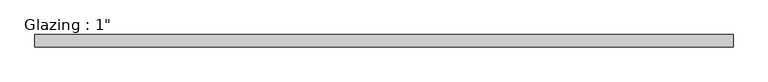
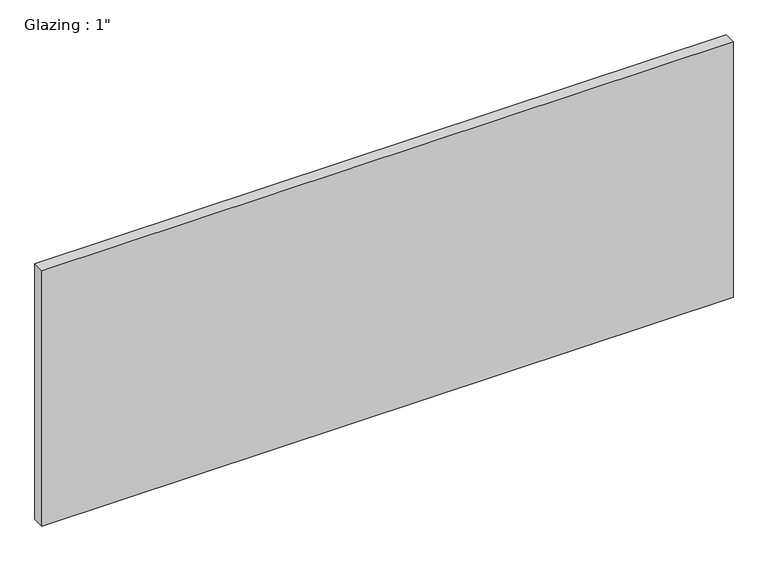
"""IFC4 building model written with IfcOpenShell, lengths in millimetres: plate geometry."""

from ifc_helpers import new_model, si_unit, origin, origin_with_axes, place, context, project, spatial, polyline, outline, extrude, source, transform, mapped, element, save


def plate_5623ed29(model_context):
    return source(origin(), model_context, "Body", "SweptSolid", [
        extrude(outline(polyline([(717.0507144, -12.7), (-717.0507144, -12.7), (-717.0507144, 12.7), (717.0507144, 12.7), (717.0507144, -12.7)])), origin_with_axes(), (0.0, 0.0, 1.0), 560.0039722),
    ])


if __name__ == "__main__":
    model = new_model("IFC4")
    model_context = context("Model", 3, world=origin())
    ifc_project = project(units=[si_unit("LENGTHUNIT", "METRE", prefix="MILLI")], contexts=[model_context])
    site = spatial("IfcSite", under=ifc_project)
    building = spatial("IfcBuilding", under=site)
    placement = place(None, origin())
    plate_shape = plate_5623ed29(model_context)
    element("IfcPlate", 1, ObjectType="Glazing : 1\"", at=placement, inside=building, context=model_context, shape_type="MappedRepresentation", body=[
        mapped(plate_shape, transform((0.0, 0.0, 0.0), x_axis=(1.0, 0.0, 0.0), y_axis=(0.0, 1.0, 0.0), z_axis=(0.0, 0.0, 1.0))),
    ])
    save(model, "model.ifc")
